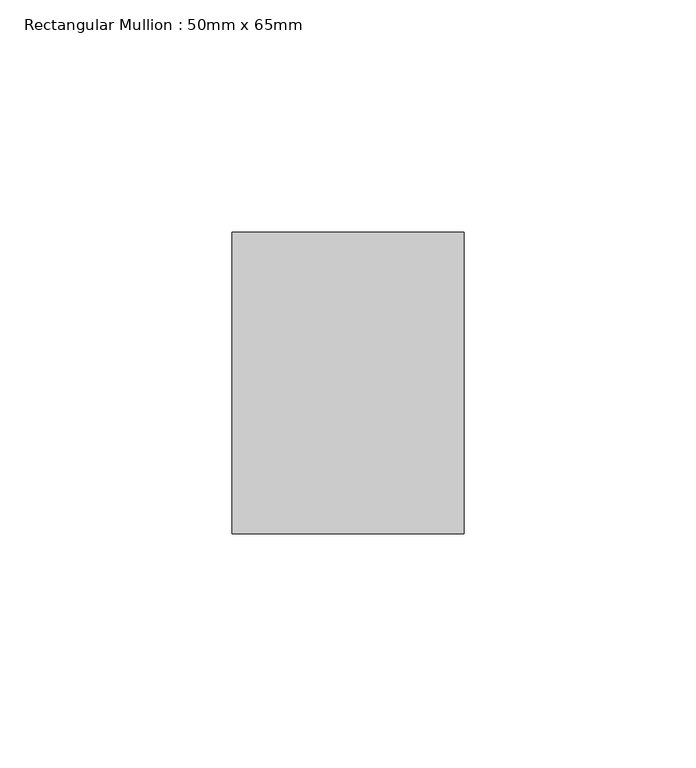
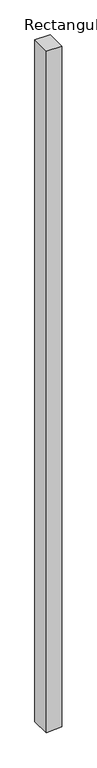
"""IFC4 building model written with IfcOpenShell, lengths in millimetres: member geometry, Rectangular Mullion : 50mm x 65mm."""

from ifc_helpers import new_model, si_unit, origin, place, context, project, spatial, faceted_brep, source, transform, mapped, element, save


def rectangular_mullion_50mm_x_65mm_cd457ac0(model_context):
    return source(origin(), model_context, "Body", "Brep", [
        faceted_brep([(25.0, 32.5, 0.0), (-25.0, 32.5, 0.0), (-25.0, -32.5, 0.0), (25.0, -32.5, 0.0), (25.0, 32.5, -2357.0318821), (-25.0, 32.5, -2359.3093633), (-25.0, -32.5, -2357.3223124), (25.0, -32.5, -2355.0448312)], [[[0, 1, 2, 3]], [[1, 0, 4, 5]], [[2, 1, 5, 6]], [[3, 2, 6, 7]], [[0, 3, 7, 4]], [[4, 7, 6, 5]]]),
    ])


if __name__ == "__main__":
    model = new_model("IFC4")
    model_context = context("Model", 3, world=origin())
    ifc_project = project(units=[si_unit("LENGTHUNIT", "METRE", prefix="MILLI")], contexts=[model_context])
    site = spatial("IfcSite", under=ifc_project)
    building = spatial("IfcBuilding", under=site)
    placement = place(None, origin())
    rectangular_mullion_50mm_x_65mm_shape = rectangular_mullion_50mm_x_65mm_cd457ac0(model_context)
    element("IfcMember", 1, ObjectType="Rectangular Mullion : 50mm x 65mm", at=placement, inside=building, context=model_context, shape_type="MappedRepresentation", body=[
        mapped(rectangular_mullion_50mm_x_65mm_shape, transform((0.0, 0.0, 0.0), x_axis=(1.0, 0.0, 0.0), y_axis=(0.0, 1.0, 0.0), z_axis=(0.0, 0.0, 1.0))),
    ])
    save(model, "model.ifc")
